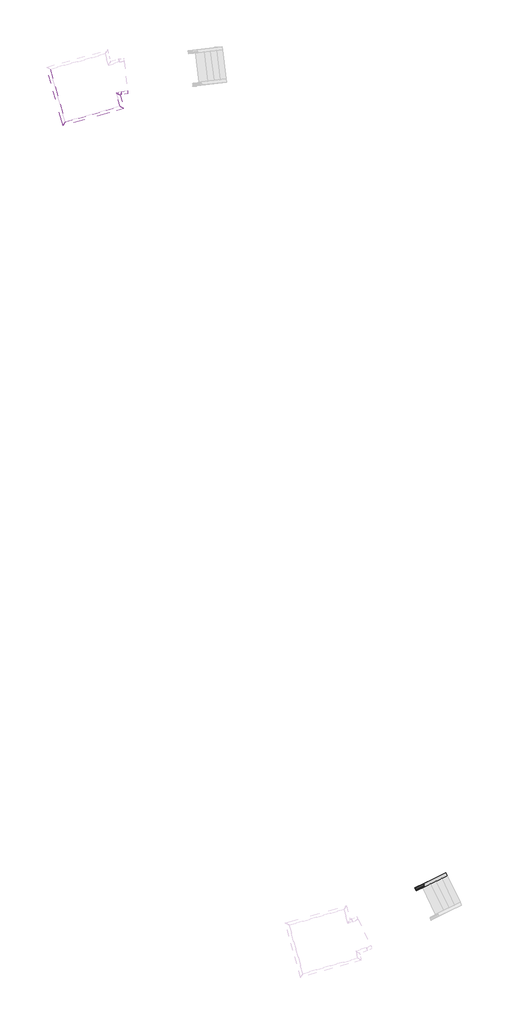
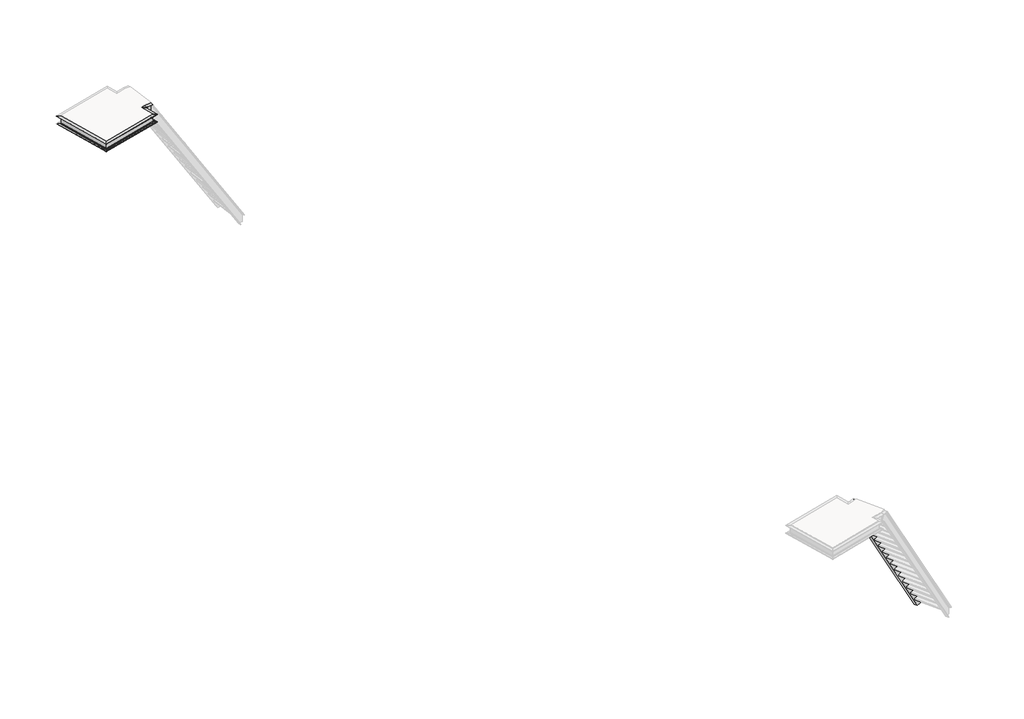
# One storey, part 3 of 4: 6 members.
"""IFC4 building model written with IfcOpenShell, lengths in millimetres."""

from ifc_helpers import new_model, si_unit, frame, origin, place, context, project, spatial, polyline, ellipse_curve, element, save
from ifc_brep_helpers import plane_surface, cylinder_surface, revolved_surface, advanced_brep

model = new_model("IFC4")

# Units and contexts
model_context = context("Model", 3, world=origin())
ifc_project = project(units=[si_unit("LENGTHUNIT", "METRE", prefix="MILLI")], contexts=[model_context])

# Site, building, storey
site = spatial("IfcSite", under=ifc_project)
building = spatial("IfcBuilding", under=site)
storey = spatial("IfcBuildingStorey", under=building, Elevation=11092.3025218)

# Members
placement = place(None, origin())
element("IfcMember", 1, ObjectType="UPN100", at=placement, inside=storey, context=model_context, shape_type="AdvancedBrep", body=[
    advanced_brep(
    [(-129490.3491692, 22437.0645883, 11129.5), (-129486.1846433, 22428.5260448, 11129.5), (-129578.2201137, 22383.6373466, 11129.5), (-129611.0979497, 22451.0469001, 11129.5), (-129606.8561595, 22453.1157594, 11129.5), (-129597.3616996, 22451.0913148, 11129.5), (-129580.8705702, 22424.0672054, 11129.5), (-129572.4798028, 22410.317206, 11129.5), (-129553.4908829, 22406.2683168, 11129.5), (-129486.1846433, 22428.5260448, 11342.7513594), (-129490.3491692, 22437.0645883, 11291.4449106), (-129495.5935401, 22447.817142, 11315.8510136), (-129502.6235613, 22462.2308216, 11318.2672814), (-129516.4402939, 22490.5593214, 11323.0161897), (-129519.0624793, 22495.9355983, 11335.2192412), (-129519.0624793, 22495.9355983, 11342.7513594), (-131643.2903544, 21376.4352925, 15173.1094103), (-131643.2903544, 21376.4352925, 14796.4312874), (-131652.6992512, 21395.7263897, 14823.3316332), (-131647.4548803, 21384.973836, 14847.7377362), (-131647.4548803, 21384.973836, 15121.8029615), (-131652.6992512, 21395.7263897, 15146.2090646), (-131659.7292724, 21410.1400693, 15148.6253323), (-131673.546005, 21438.4685692, 15153.3742406), (-131676.1681904, 21443.844846, 15165.5772921), (-131676.1681904, 21443.844846, 15173.1094103), (-131659.7292724, 21410.1400693, 14820.9153654), (-131673.546005, 21438.4685692, 14816.1664571), (-131676.1681904, 21443.844846, 14803.9634056), (-131676.1681904, 21443.844846, 14796.4312874)],
    [
        (0, 1),
        (1, 2),
        (2, 3),
        (3, 4),
        (4, 5, ellipse_curve(frame((-129604.0067471, 22447.2735981, 11129.5), z_axis=(0.0, 0.0, -1.0), x_axis=(0.8987940462991675, 0.43837114678907635, 0.0)), 7.6705345, 6.5)),
        (5, 6),
        (6, 7),
        (7, 8, ellipse_curve(frame((-129559.1897078, 22417.9526394, 11129.5), z_axis=(0.0, 0.0, 1.0), x_axis=(-0.8987940462991675, -0.43837114678907635, 0.0)), 15.341069, 13.0)),
        (8, 0),
        (9, 1),
        (0, 10),
        (10, 11, ellipse_curve(frame((-129496.0479941, 22448.7489109, 11291.4449106), z_axis=(-0.8987940462991676, -0.4383711467890764, 0.0), x_axis=(0.0, 0.0, 0.9999999999999999)), 24.484078, 13.0)),
        (11, 12),
        (12, 13),
        (13, 14, ellipse_curve(frame((-129516.2130669, 22490.093437, 11335.2192412), z_axis=(0.8987940462991676, 0.4383711467890764, 0.0), x_axis=(0.0, 0.0, -0.9999999999999999)), 12.242039, 6.5)),
        (14, 15),
        (15, 9),
        (9, 16),
        (16, 17),
        (17, 2),
        (7, 18),
        (18, 19, ellipse_curve(frame((-131653.1537052, 21396.6581586, 14847.7377362), z_axis=(-0.8987940462991676, -0.4383711467890764, 0.0), x_axis=(0.0, 0.0, 0.9999999999999999)), 24.484078, 13.0)),
        (19, 8),
        (19, 20),
        (20, 10),
        (20, 21, ellipse_curve(frame((-131653.1537052, 21396.6581586, 15121.8029615), z_axis=(-0.8987940462991676, -0.4383711467890764, 0.0), x_axis=(0.0, 0.0, 0.9999999999999999)), 24.484078, 13.0)),
        (21, 11),
        (21, 22),
        (22, 12),
        (22, 23),
        (23, 13),
        (23, 24, ellipse_curve(frame((-131673.318778, 21438.0026847, 15165.5772921), z_axis=(0.8987940462991676, 0.4383711467890764, 0.0), x_axis=(0.0, 0.0, -0.9999999999999999)), 12.242039, 6.5)),
        (24, 14),
        (24, 25),
        (25, 15),
        (25, 16),
        (6, 26),
        (26, 18),
        (5, 27),
        (27, 26),
        (4, 28),
        (28, 27, ellipse_curve(frame((-131673.318778, 21438.0026847, 14803.9634056), z_axis=(0.8987940462991676, 0.4383711467890764, 0.0), x_axis=(0.0, 0.0, -0.9999999999999999)), 12.242039, 6.5)),
        (3, 29),
        (29, 28),
        (17, 29),
    ],
    [
        plane_surface(frame((0.0, 0.0, 11129.5), z_axis=(0.0, 0.0, -1.0), x_axis=(1.0, 0.0, 0.0))),
        plane_surface(frame((-129486.1846433, 22428.5260448, 11342.7513594), z_axis=(0.8987940462991676, 0.4383711467890764, 0.0), x_axis=(0.4383711467890764, -0.8987940462991676, 0.0))),
        plane_surface(frame((-129486.1846433, 22428.5260448, 11342.7513594), z_axis=(0.4383711467890765, -0.8987940462991677, 0.0), x_axis=(-0.47722126213129185, -0.23275636149796178, 0.8473985739615374))),
        revolved_surface(polyline([(-131668.75380843133, 21403.51330512495, 14865.319369269755), (-129561.00134950191, 22431.532867974653, 11122.597555107748)]), (-129627.6271984, 22384.573445, 11251.0239902), (-0.47722126213129196, -0.23275636149796183, 0.8473985739615375)),
        plane_surface(frame((-129490.3491692, 22437.0645883, 11017.3796852), z_axis=(-0.4383711467890765, 0.8987940462991677, 0.0), x_axis=(-0.47722126213129185, -0.23275636149796178, 0.8473985739615374))),
        revolved_surface(polyline([(-131668.753808385, 21403.513305037573, 15139.38459457185), (-129491.84554066086, 22465.262409525087, 11273.863277529199)]), (-129516.7961484, 22438.6293598, 11328.2872682), (-0.47722126213129196, -0.23275636149796183, 0.8473985739615375)),
        plane_surface(frame((-129495.5935401, 22447.817142, 11315.8510136), z_axis=(-0.7941691966194107, -0.29861750897088934, -0.5292663511663112), x_axis=(-0.47722126213129185, -0.23275636149796178, 0.8473985739615374))),
        plane_surface(frame((-129502.6235613, 22462.2308216, 11318.2672814), z_axis=(-0.7941691966194107, -0.2986175089708892, -0.5292663511663112), x_axis=(-0.47722126213129185, -0.23275636149796178, 0.8473985739615374))),
        cylinder_surface(frame((-129519.25903, 22488.6078215, 11340.6279373), z_axis=(0.47722126213129196, 0.23275636149796183, -0.8473985739615375), x_axis=(-0.4383711467890764, 0.8987940462991676, 0.0)), 6.5),
        plane_surface(frame((-129519.0624793, 22495.9355983, 11335.2192412), z_axis=(-0.4383711467890765, 0.8987940462991677, 0.0), x_axis=(-0.47722126213129185, -0.23275636149796178, 0.8473985739615374))),
        plane_surface(frame((-129519.0624793, 22495.9355983, 11342.7513594), z_axis=(0.7616367931190346, 0.3714750846549471, 0.5309573022832939), x_axis=(-0.47722126213129185, -0.23275636149796178, 0.8473985739615374))),
        plane_surface(frame((-129502.6235613, 22462.2308216, 10990.5573144), z_axis=(0.7242531875332093, 0.4419665709882196, 0.529266351166311), x_axis=(-0.47722126213129196, -0.23275636149796183, 0.8473985739615372))),
        plane_surface(frame((-129516.4402939, 22490.5593214, 10985.8084062), z_axis=(0.7242531875332096, 0.4419665709882198, 0.5292663511663109), x_axis=(-0.47722126213129185, -0.23275636149796178, 0.8473985739615374))),
        cylinder_surface(frame((-129665.4944624, 22417.2840355, 11238.683321), z_axis=(0.47722126213129196, 0.23275636149796183, -0.8473985739615375), x_axis=(-0.4383711467890764, 0.8987940462991676, 0.0)), 6.5),
        plane_surface(frame((-129519.0624793, 22495.9355983, 10966.0732364), z_axis=(-0.4383711467890765, 0.8987940462991677, 0.0), x_axis=(-0.47722126213129185, -0.23275636149796178, 0.8473985739615374))),
        plane_surface(frame((-129486.1846433, 22428.5260448, 10966.0732364), z_axis=(-0.7616367931190346, -0.3714750846549471, -0.5309573022832939), x_axis=(-0.47722126213129185, -0.23275636149796178, 0.8473985739615374))),
        plane_surface(frame((-131643.2903544, 21376.4352925, 15173.1094103), z_axis=(-0.8987940462991676, -0.4383711467890764, 0.0), x_axis=(0.4383711467890764, -0.8987940462991676, 0.0))),
    ],
    [
        (0, [[1, 2, 3, 4, 5, 6, 7, 8, 9]]),
        (1, [[10, -1, 11, 12, 13, 14, 15, 16, 17]]),
        (2, [[-10, 18, 19, 20, -2]]),
        (3, [[21, 22, 23, -8]]),
        (4, [[-11, -9, -23, 24, 25]]),
        (5, [[-12, -25, 26, 27]]),
        (6, [[-13, -27, 28, 29]]),
        (7, [[-14, -29, 30, 31]]),
        (8, [[-15, -31, 32, 33]]),
        (9, [[-16, -33, 34, 35]]),
        (10, [[-17, -35, 36, -18]]),
        (11, [[37, 38, -21, -7]]),
        (12, [[39, 40, -37, -6]]),
        (13, [[41, 42, -39, -5]]),
        (14, [[43, 44, -41, -4]]),
        (15, [[-20, 45, -43, -3]]),
        (16, [[-36, -34, -32, -30, -28, -26, -24, -22, -38, -40, -42, -44, -45, -19]]),
    ],
),
])
element("IfcMember", 2, ObjectType="UPN200", at=placement, inside=storey, context=model_context, shape_type="AdvancedBrep", body=[
    advanced_brep(
    [(-137370.3828421, 41367.7815174, 14979.2554291), (-137370.3828421, 41367.7815174, 15179.2554291), (-137212.2452714, 41385.4121469, 15179.2554291), (-137212.2452714, 41385.4121469, 14979.2554291), (-137355.997393, 41293.92066, 14979.2554291), (-137203.2382385, 41310.9516542, 14979.2554291), (-137355.997393, 41293.92066, 14983.2546623), (-137203.2382385, 41310.9516542, 14983.2546623), (-137357.1447104, 41299.8114633, 14989.7339616), (-137203.9565981, 41316.8902817, 14989.7339616), (-137363.1901175, 41330.8510887, 14992.2554291), (-137207.7417549, 41348.1819006, 14992.2554291), (-137366.2660503, 41346.6442023, 14993.5383642), (-137209.6676613, 41364.1032296, 14993.5383642), (-137368.5606852, 41358.4258088, 15006.4969628), (-137211.1043805, 41375.9804845, 15006.4969628), (-137368.5606852, 41358.4258088, 15152.0138955), (-137211.1043805, 41375.9804845, 15152.0138955), (-137366.2660503, 41346.6442023, 15164.9724941), (-137209.6676613, 41364.1032296, 15164.9724941), (-137363.1901175, 41330.8510887, 15166.2554291), (-137207.7417549, 41348.1819006, 15166.2554291), (-137357.1447104, 41299.8114633, 15168.7768966), (-137203.9565981, 41316.8902817, 15168.7768966), (-137355.997393, 41293.92066, 15175.256196), (-137203.2382385, 41310.9516542, 15175.256196), (-137355.997393, 41293.92066, 15179.2554291), (-137203.2382385, 41310.9516542, 15179.2554291)],
    [
        (0, 1),
        (1, 2),
        (2, 3),
        (3, 0),
        (4, 0),
        (3, 5),
        (5, 4),
        (6, 4),
        (5, 7),
        (7, 6),
        (8, 6, ellipse_curve(frame((-137357.2441319, 41300.3219343, 14983.2546623), z_axis=(0.9815565427552808, 0.19117205176045143, 0.0), x_axis=(-0.19117205176044946, 0.9815565427552811, 0.0)), 6.5215543, 6.5)),
        (7, 9, ellipse_curve(frame((-137204.018848, 41317.4048969, 14983.2546623), z_axis=(-0.992763187371111, -0.1200885248504302, 0.0), x_axis=(-0.1200885248504156, 0.9927631873711128, 0.0)), 6.500284, 6.5)),
        (9, 8),
        (10, 8),
        (9, 11),
        (11, 10),
        (12, 10),
        (11, 13),
        (13, 12),
        (14, 12, ellipse_curve(frame((-137366.0672073, 41345.6232602, 15006.4969628), z_axis=(-0.9815565427552808, -0.19117205176045143, 0.0), x_axis=(0.19117205176044946, -0.9815565427552811, 0.0)), 13.0431086, 13.0)),
        (13, 15, ellipse_curve(frame((-137209.5431615, 41363.0739991, 15006.4969628), z_axis=(0.992763187371111, 0.1200885248504302, 0.0), x_axis=(0.1200885248504156, -0.9927631873711128, 0.0)), 13.0005681, 13.0)),
        (15, 14),
        (16, 14),
        (15, 17),
        (17, 16),
        (18, 16, ellipse_curve(frame((-137366.0672073, 41345.6232602, 15152.0138955), z_axis=(-0.9815565427552808, -0.19117205176045143, 0.0), x_axis=(0.19117205176044946, -0.9815565427552811, 0.0)), 13.0431086, 13.0)),
        (17, 19, ellipse_curve(frame((-137209.5431615, 41363.0739991, 15152.0138955), z_axis=(0.992763187371111, 0.1200885248504302, 0.0), x_axis=(0.1200885248504156, -0.9927631873711128, 0.0)), 13.0005681, 13.0)),
        (19, 18),
        (20, 18),
        (19, 21),
        (21, 20),
        (22, 20),
        (21, 23),
        (23, 22),
        (24, 22, ellipse_curve(frame((-137357.2441319, 41300.3219343, 15175.256196), z_axis=(0.9815565427552808, 0.19117205176045143, 0.0), x_axis=(-0.19117205176044946, 0.9815565427552811, 0.0)), 6.5215543, 6.5)),
        (23, 25, ellipse_curve(frame((-137204.018848, 41317.4048969, 15175.256196), z_axis=(-0.992763187371111, -0.1200885248504302, 0.0), x_axis=(-0.1200885248504156, 0.9927631873711128, 0.0)), 6.500284, 6.5)),
        (25, 24),
        (26, 24),
        (25, 27),
        (27, 26),
        (1, 26),
        (27, 2),
    ],
    [
        plane_surface(frame((-137370.3828421, 41367.7815174, 15179.2554291), z_axis=(-0.11080268556148799, 0.9938424245685843, 0.0), x_axis=(0.9938424245685843, 0.11080268556148799, 0.0))),
        plane_surface(frame((-137370.3828421, 41367.7815174, 14979.2554291), z_axis=(0.0, 0.0, -1.0000000000000002), x_axis=(0.9938424245685843, 0.11080268556148799, 0.0))),
        plane_surface(frame((-137362.0726406, 41293.2433356, 14979.2554291), z_axis=(0.11080268556148799, -0.9938424245685843, 0.0), x_axis=(0.9938424245685843, 0.11080268556148799, 0.0))),
        cylinder_surface(frame((-137362.7928581, 41299.7033114, 14983.2546623), z_axis=(-0.9938424245685824, -0.11080268556150397, 0.0), x_axis=(0.11080268556150397, -0.9938424245685824, 0.0)), 6.5),
        plane_surface(frame((-137362.7354242, 41299.1881592, 14989.7339616), z_axis=(0.008835984789642384, -0.0792541850613913, 0.9968152785361248), x_axis=(0.9938424245685843, 0.11080268556148799, 0.0))),
        plane_surface(frame((-137366.2277413, 41330.5124265, 14992.2554291), z_axis=(0.008835984789642376, -0.07925418506139123, 0.9968152785361248), x_axis=(0.9938424245685843, 0.11080268556148799, 0.0))),
        revolved_surface(polyline([(-137207.98194245805, 41350.16751370571, 15006.4969628), (-137365.67981537993, 41332.58590580175, 15006.4969628)]), (-137367.8897816, 41345.4200629, 15006.4969628), (0.9938424245685824, 0.11080268556150397, 0.0)),
        plane_surface(frame((-137369.3302165, 41358.3400144, 15006.4969628), z_axis=(0.11080268556148799, -0.9938424245685843, 0.0), x_axis=(0.9938424245685843, 0.11080268556148799, 0.0))),
        revolved_surface(polyline([(-137207.98194245805, 41350.16751370571, 15152.0138955), (-137365.67981537993, 41332.58590580175, 15152.0138955)]), (-137367.8897816, 41345.4200629, 15152.0138955), (0.9938424245685824, 0.11080268556150397, 0.0)),
        plane_surface(frame((-137368.0046494, 41346.4503673, 15164.9724941), z_axis=(0.008835984789641683, -0.07925418506138503, -0.9968152785361253), x_axis=(0.9938424245685843, 0.11080268556148799, 0.0))),
        plane_surface(frame((-137366.2277413, 41330.5124265, 15166.2554291), z_axis=(0.008835984789641713, -0.07925418506138529, -0.9968152785361254), x_axis=(0.9938424245685843, 0.11080268556148799, 0.0))),
        cylinder_surface(frame((-137362.7928581, 41299.7033114, 15175.256196), z_axis=(-0.9938424245685824, -0.11080268556150397, 0.0), x_axis=(0.11080268556150397, -0.9938424245685824, 0.0)), 6.5),
        plane_surface(frame((-137362.0726406, 41293.2433356, 15175.256196), z_axis=(0.11080268556148799, -0.9938424245685843, 0.0), x_axis=(0.9938424245685843, 0.11080268556148799, 0.0))),
        plane_surface(frame((-137362.0726406, 41293.2433356, 15179.2554291), z_axis=(0.0, 0.0, 1.0000000000000002), x_axis=(0.9938424245685843, 0.11080268556148799, 0.0))),
        plane_surface(frame((-137370.3828421, 41367.7815174, 15179.2554291), z_axis=(-0.9815565427552808, -0.19117205176045143, 0.0), x_axis=(0.19117205176045143, -0.9815565427552808, 0.0))),
        plane_surface(frame((-137212.235967, 41385.3352286, 15173.1094103), z_axis=(0.992763187371111, 0.1200885248504302, 0.0), x_axis=(0.1200885248504302, -0.992763187371111, 0.0))),
    ],
    [
        (0, [[1, 2, 3, 4]]),
        (1, [[5, -4, 6, 7]]),
        (2, [[8, -7, 9, 10]]),
        (3, [[11, -10, 12, 13]]),
        (4, [[14, -13, 15, 16]]),
        (5, [[17, -16, 18, 19]]),
        (6, [[20, -19, 21, 22]]),
        (7, [[23, -22, 24, 25]]),
        (8, [[26, -25, 27, 28]]),
        (9, [[29, -28, 30, 31]]),
        (10, [[32, -31, 33, 34]]),
        (11, [[35, -34, 36, 37]]),
        (12, [[38, -37, 39, 40]]),
        (13, [[41, -40, 42, -2]]),
        (14, [[-1, -5, -8, -11, -14, -17, -20, -23, -26, -29, -32, -35, -38, -41]]),
        (15, [[-42, -39, -36, -33, -30, -27, -24, -21, -18, -15, -12, -9, -6, -3]]),
    ],
),
])
element("IfcMember", 3, ObjectType="UPN200", at=placement, inside=storey, context=model_context, shape_type="AdvancedBrep", body=[
    advanced_brep(
    [(-137485.9167298, 41335.348189, 14979.2554291), (-137485.9167298, 41335.348189, 15179.2554291), (-137370.3828421, 41367.7815174, 15179.2554291), (-137370.3828421, 41367.7815174, 14979.2554291), (-137393.4372197, 41283.4103395, 14979.2554291), (-137355.997393, 41293.92066, 14979.2554291), (-137393.4372197, 41283.4103395, 14983.2546623), (-137355.997393, 41293.92066, 14983.2546623), (-137400.8129613, 41287.5526642, 14989.7339616), (-137357.1447104, 41299.8114633, 14989.7339616), (-137439.6769747, 41309.3792643, 14992.2554291), (-137363.1901175, 41330.8510887, 14992.2554291), (-137459.4511752, 41320.4847454, 14993.5383642), (-137366.2660503, 41346.6442023, 14993.5383642), (-137474.2026585, 41328.7693948, 15006.4969628), (-137368.5606852, 41358.4258088, 15006.4969628), (-137474.2026585, 41328.7693948, 15152.0138955), (-137368.5606852, 41358.4258088, 15152.0138955), (-137459.4511752, 41320.4847454, 15164.9724941), (-137366.2660503, 41346.6442023, 15164.9724941), (-137439.6769747, 41309.3792643, 15166.2554291), (-137363.1901175, 41330.8510887, 15166.2554291), (-137400.8129613, 41287.5526642, 15168.7768966), (-137357.1447104, 41299.8114633, 15168.7768966), (-137393.4372197, 41283.4103395, 15175.256196), (-137355.997393, 41293.92066, 15175.256196), (-137393.4372197, 41283.4103395, 15179.2554291), (-137355.997393, 41293.92066, 15179.2554291)],
    [
        (0, 1),
        (1, 2),
        (2, 3),
        (3, 0),
        (4, 0),
        (3, 5),
        (5, 4),
        (6, 4),
        (5, 7),
        (7, 6),
        (8, 6, ellipse_curve(frame((-137401.4521106, 41287.9116198, 14983.2546623), z_axis=(0.4896747417089634, 0.871905182535498, 0.0), x_axis=(-0.8719051825354979, 0.4896747417089636, 0.0)), 9.1923882, 6.5)),
        (7, 9, ellipse_curve(frame((-137357.2441319, 41300.3219343, 14983.2546623), z_axis=(-0.9815565427552808, -0.19117205176045143, 0.0), x_axis=(0.19117205176045396, -0.9815565427552804, 0.0)), 6.5215543, 6.5)),
        (9, 8),
        (10, 8),
        (9, 11),
        (11, 10),
        (12, 10),
        (11, 13),
        (13, 12),
        (14, 12, ellipse_curve(frame((-137458.1728767, 41319.7668342, 15006.4969628), z_axis=(-0.4896747417089634, -0.871905182535498, 0.0), x_axis=(0.8719051825354979, -0.4896747417089636, 0.0)), 18.3847763, 13.0)),
        (13, 15, ellipse_curve(frame((-137366.0672073, 41345.6232602, 15006.4969628), z_axis=(0.9815565427552808, 0.19117205176045143, 0.0), x_axis=(-0.19117205176045396, 0.9815565427552804, 0.0)), 13.0431086, 13.0)),
        (15, 14),
        (16, 14),
        (15, 17),
        (17, 16),
        (18, 16, ellipse_curve(frame((-137458.1728767, 41319.7668342, 15152.0138955), z_axis=(-0.4896747417089634, -0.871905182535498, 0.0), x_axis=(0.8719051825354979, -0.4896747417089636, 0.0)), 18.3847763, 13.0)),
        (17, 19, ellipse_curve(frame((-137366.0672073, 41345.6232602, 15152.0138955), z_axis=(0.9815565427552808, 0.19117205176045143, 0.0), x_axis=(-0.19117205176045396, 0.9815565427552804, 0.0)), 13.0431086, 13.0)),
        (19, 18),
        (20, 18),
        (19, 21),
        (21, 20),
        (22, 20),
        (21, 23),
        (23, 22),
        (24, 22, ellipse_curve(frame((-137401.4521106, 41287.9116198, 15175.256196), z_axis=(0.4896747417089634, 0.871905182535498, 0.0), x_axis=(-0.8719051825354979, 0.4896747417089636, 0.0)), 9.1923882, 6.5)),
        (23, 25, ellipse_curve(frame((-137357.2441319, 41300.3219343, 15175.256196), z_axis=(-0.9815565427552808, -0.19117205176045143, 0.0), x_axis=(0.19117205176045396, -0.9815565427552804, 0.0)), 6.5215543, 6.5)),
        (25, 24),
        (26, 24),
        (25, 27),
        (27, 26),
        (1, 26),
        (27, 2),
    ],
    [
        plane_surface(frame((-137485.9167298, 41335.348189, 15179.2554291), z_axis=(-0.27027773668426386, 0.962782397560753, 0.0), x_axis=(0.962782397560753, 0.27027773668426386, 0.0))),
        plane_surface(frame((-137485.9167298, 41335.348189, 14979.2554291), z_axis=(0.0, 0.0, -1.0000000000000002), x_axis=(0.962782397560753, 0.27027773668426386, 0.0))),
        plane_surface(frame((-137465.6458995, 41263.1395092, 14979.2554291), z_axis=(0.27027773668426386, -0.962782397560753, 0.0), x_axis=(0.962782397560753, 0.27027773668426386, 0.0))),
        cylinder_surface(frame((-137467.4027048, 41269.3975948, 14983.2546623), z_axis=(-0.9627823975607506, -0.2702777366842726, 0.0), x_axis=(0.2702777366842726, -0.9627823975607506, 0.0)), 6.5),
        plane_surface(frame((-137467.262608, 41268.8985424, 14989.7339616), z_axis=(0.021553358190003907, -0.07677729630353913, 0.996815278536125), x_axis=(0.962782397560753, 0.27027773668426386, 0.0))),
        plane_surface(frame((-137475.7813146, 41299.2438491, 14992.2554291), z_axis=(0.021553358190003882, -0.07677729630353905, 0.996815278536125), x_axis=(0.962782397560753, 0.27027773668426386, 0.0))),
        revolved_surface(polyline([(-137361.5334639975, 41333.393466514965, 15006.4969628), (-137467.17543733757, 41303.73705243266, 15006.4969628)]), (-137479.8354807, 41313.6855851, 15006.4969628), (0.9627823975607506, 0.2702777366842726, 0.0)),
        plane_surface(frame((-137483.3490913, 41326.2017563, 15006.4969628), z_axis=(0.27027773668426386, -0.962782397560753, 0.0), x_axis=(0.962782397560753, 0.27027773668426386, 0.0))),
        revolved_surface(polyline([(-137361.5334639975, 41333.393466514965, 15152.0138955), (-137467.17543733757, 41303.73705243266, 15152.0138955)]), (-137479.8354807, 41313.6855851, 15152.0138955), (0.9627823975607506, 0.2702777366842726, 0.0)),
        plane_surface(frame((-137480.1156743, 41314.68369, 15164.9724941), z_axis=(0.021553358190002196, -0.07677729630353304, -0.9968152785361254), x_axis=(0.962782397560753, 0.27027773668426386, 0.0))),
        plane_surface(frame((-137475.7813146, 41299.2438491, 15166.2554291), z_axis=(0.02155335819000227, -0.07677729630353329, -0.9968152785361254), x_axis=(0.962782397560753, 0.27027773668426386, 0.0))),
        cylinder_surface(frame((-137467.4027048, 41269.3975948, 15175.256196), z_axis=(-0.9627823975607506, -0.2702777366842726, 0.0), x_axis=(0.2702777366842726, -0.9627823975607506, 0.0)), 6.5),
        plane_surface(frame((-137465.6458995, 41263.1395092, 15175.256196), z_axis=(0.27027773668426386, -0.962782397560753, 0.0), x_axis=(0.962782397560753, 0.27027773668426386, 0.0))),
        plane_surface(frame((-137465.6458995, 41263.1395092, 15179.2554291), z_axis=(0.0, 0.0, 1.0000000000000002), x_axis=(0.962782397560753, 0.27027773668426386, 0.0))),
        plane_surface(frame((-137485.9167298, 41335.348189, 15179.2554291), z_axis=(-0.4896747417089634, -0.871905182535498, 0.0), x_axis=(0.871905182535498, -0.4896747417089634, 0.0))),
        plane_surface(frame((-137370.3828421, 41367.7815174, 15179.2554291), z_axis=(0.9815565427552808, 0.19117205176045143, 0.0), x_axis=(0.19117205176045143, -0.9815565427552808, 0.0))),
    ],
    [
        (0, [[1, 2, 3, 4]]),
        (1, [[5, -4, 6, 7]]),
        (2, [[8, -7, 9, 10]]),
        (3, [[11, -10, 12, 13]]),
        (4, [[14, -13, 15, 16]]),
        (5, [[17, -16, 18, 19]]),
        (6, [[20, -19, 21, 22]]),
        (7, [[23, -22, 24, 25]]),
        (8, [[26, -25, 27, 28]]),
        (9, [[29, -28, 30, 31]]),
        (10, [[32, -31, 33, 34]]),
        (11, [[35, -34, 36, 37]]),
        (12, [[38, -37, 39, 40]]),
        (13, [[41, -40, 42, -2]]),
        (14, [[-1, -5, -8, -11, -14, -17, -20, -23, -26, -29, -32, -35, -38, -41]]),
        (15, [[-42, -39, -36, -33, -30, -27, -24, -21, -18, -15, -12, -9, -6, -3]]),
    ],
),
])
element("IfcMember", 4, ObjectType="UPN200", at=placement, inside=storey, context=model_context, shape_type="AdvancedBrep", body=[
    advanced_brep(
    [(-137394.0222993, 41008.0021739, 14979.2554291), (-137394.0222993, 41008.0021739, 15179.2554291), (-137485.9167298, 41335.348189, 15179.2554291), (-137485.9167298, 41335.348189, 14979.2554291), (-137301.5427892, 40956.0643243, 14979.2554291), (-137393.4372197, 41283.4103395, 14979.2554291), (-137301.5427892, 40956.0643243, 14983.2546623), (-137393.4372197, 41283.4103395, 14983.2546623), (-137308.9185308, 40960.206649, 14989.7339616), (-137400.8129613, 41287.5526642, 14989.7339616), (-137347.7825443, 40982.0332491, 14992.2554291), (-137439.6769747, 41309.3792643, 14992.2554291), (-137367.5567448, 40993.1387302, 14993.5383642), (-137459.4511752, 41320.4847454, 14993.5383642), (-137382.308228, 41001.4233796, 15006.4969628), (-137474.2026585, 41328.7693948, 15006.4969628), (-137382.308228, 41001.4233796, 15152.0138955), (-137474.2026585, 41328.7693948, 15152.0138955), (-137367.5567448, 40993.1387302, 15164.9724941), (-137459.4511752, 41320.4847454, 15164.9724941), (-137347.7825443, 40982.0332491, 15166.2554291), (-137439.6769747, 41309.3792643, 15166.2554291), (-137308.9185308, 40960.206649, 15168.7768966), (-137400.8129613, 41287.5526642, 15168.7768966), (-137301.5427892, 40956.0643243, 15175.256196), (-137393.4372197, 41283.4103395, 15175.256196), (-137301.5427892, 40956.0643243, 15179.2554291), (-137393.4372197, 41283.4103395, 15179.2554291)],
    [
        (0, 1),
        (1, 2),
        (2, 3),
        (3, 0),
        (4, 0),
        (3, 5),
        (5, 4),
        (6, 4),
        (5, 7),
        (7, 6),
        (8, 6, ellipse_curve(frame((-137309.5576801, 40960.5656046, 14983.2546623), z_axis=(0.48967474170919617, 0.8719051825353673, 0.0), x_axis=(0.8719051825353673, -0.489674741709196, 0.0)), 9.1923882, 6.5)),
        (7, 9, ellipse_curve(frame((-137401.4521106, 41287.9116198, 14983.2546623), z_axis=(-0.4896747417089634, -0.871905182535498, 0.0), x_axis=(0.871905182535498, -0.48967474170896325, 0.0)), 9.1923882, 6.5)),
        (9, 8),
        (10, 8),
        (9, 11),
        (11, 10),
        (12, 10),
        (11, 13),
        (13, 12),
        (14, 12, ellipse_curve(frame((-137366.2784463, 40992.420819, 15006.4969628), z_axis=(-0.48967474170919617, -0.8719051825353673, 0.0), x_axis=(-0.8719051825353673, 0.489674741709196, 0.0)), 18.3847763, 13.0)),
        (13, 15, ellipse_curve(frame((-137458.1728767, 41319.7668342, 15006.4969628), z_axis=(0.4896747417089634, 0.871905182535498, 0.0), x_axis=(-0.871905182535498, 0.48967474170896325, 0.0)), 18.3847763, 13.0)),
        (15, 14),
        (16, 14),
        (15, 17),
        (17, 16),
        (18, 16, ellipse_curve(frame((-137366.2784463, 40992.420819, 15152.0138955), z_axis=(-0.48967474170919617, -0.8719051825353673, 0.0), x_axis=(-0.8719051825353673, 0.489674741709196, 0.0)), 18.3847763, 13.0)),
        (17, 19, ellipse_curve(frame((-137458.1728767, 41319.7668342, 15152.0138955), z_axis=(0.4896747417089634, 0.871905182535498, 0.0), x_axis=(-0.871905182535498, 0.48967474170896325, 0.0)), 18.3847763, 13.0)),
        (19, 18),
        (20, 18),
        (19, 21),
        (21, 20),
        (22, 20),
        (21, 23),
        (23, 22),
        (24, 22, ellipse_curve(frame((-137309.5576801, 40960.5656046, 15175.256196), z_axis=(0.48967474170919617, 0.8719051825353673, 0.0), x_axis=(0.8719051825353673, -0.489674741709196, 0.0)), 9.1923882, 6.5)),
        (23, 25, ellipse_curve(frame((-137401.4521106, 41287.9116198, 15175.256196), z_axis=(-0.4896747417089634, -0.871905182535498, 0.0), x_axis=(0.871905182535498, -0.48967474170896325, 0.0)), 9.1923882, 6.5)),
        (25, 24),
        (26, 24),
        (25, 27),
        (27, 26),
        (1, 26),
        (27, 2),
    ],
    [
        plane_surface(frame((-137394.0222993, 41008.0021739, 15179.2554291), z_axis=(-0.9627823975607588, -0.27027773668424315, 0.0), x_axis=(-0.27027773668424315, 0.9627823975607588, 0.0))),
        plane_surface(frame((-137394.0222993, 41008.0021739, 14979.2554291), z_axis=(0.0, 0.0, -1.0), x_axis=(-0.27027773668424315, 0.9627823975607588, 0.0))),
        plane_surface(frame((-137321.8136195, 41028.2730041, 14979.2554291), z_axis=(0.9627823975607588, 0.27027773668424315, 0.0), x_axis=(-0.27027773668424315, 0.9627823975607588, 0.0))),
        cylinder_surface(frame((-137328.0717051, 41026.5161988, 14983.2546623), z_axis=(0.27027773668425364, -0.9627823975607558, 0.0), x_axis=(0.9627823975607558, 0.27027773668425364, 0.0)), 6.5),
        plane_surface(frame((-137327.5726526, 41026.6562957, 14989.7339616), z_axis=(0.07677729630353959, 0.021553358190002255, 0.9968152785361248), x_axis=(-0.27027773668424315, 0.9627823975607588, 0.0))),
        plane_surface(frame((-137357.9179594, 41018.137589, 14992.2554291), z_axis=(0.07677729630353952, 0.021553358190002238, 0.9968152785361248), x_axis=(-0.27027773668424315, 0.9627823975607588, 0.0))),
        revolved_surface(polyline([(-137449.17031610565, 41335.796615970015, 15006.4969628), (-137350.2486644727, 40983.418258439626, 15006.4969628)]), (-137372.3596953, 41014.083423, 15006.4969628), (-0.27027773668425364, 0.9627823975607558, 0.0)),
        plane_surface(frame((-137384.8758665, 41010.5698124, 15006.4969628), z_axis=(0.9627823975607588, 0.27027773668424315, 0.0), x_axis=(-0.27027773668424315, 0.9627823975607588, 0.0))),
        revolved_surface(polyline([(-137449.17031610565, 41335.796615970015, 15152.0138955), (-137350.2486644727, 40983.418258439626, 15152.0138955)]), (-137372.3596953, 41014.083423, 15152.0138955), (-0.27027773668425364, 0.9627823975607558, 0.0)),
        plane_surface(frame((-137373.3578002, 41013.8032293, 15164.9724941), z_axis=(0.07677729630353353, 0.02155335819000055, -0.9968152785361254), x_axis=(-0.27027773668424315, 0.9627823975607588, 0.0))),
        plane_surface(frame((-137357.9179594, 41018.137589, 15166.2554291), z_axis=(0.07677729630353373, 0.021553358190000614, -0.9968152785361253), x_axis=(-0.27027773668424315, 0.9627823975607588, 0.0))),
        cylinder_surface(frame((-137328.0717051, 41026.5161988, 15175.256196), z_axis=(0.27027773668425364, -0.9627823975607558, 0.0), x_axis=(0.9627823975607558, 0.27027773668425364, 0.0)), 6.5),
        plane_surface(frame((-137321.8136195, 41028.2730041, 15175.256196), z_axis=(0.9627823975607588, 0.27027773668424315, 0.0), x_axis=(-0.27027773668424315, 0.9627823975607588, 0.0))),
        plane_surface(frame((-137321.8136195, 41028.2730041, 15179.2554291), z_axis=(0.0, 0.0, 1.0), x_axis=(-0.27027773668424315, 0.9627823975607588, 0.0))),
        plane_surface(frame((-137394.0222993, 41008.0021739, 15179.2554291), z_axis=(-0.48967474170919617, -0.8719051825353673, 0.0), x_axis=(0.8719051825353673, -0.48967474170919617, 0.0))),
        plane_surface(frame((-137485.9167298, 41335.348189, 15179.2554291), z_axis=(0.4896747417089634, 0.871905182535498, 0.0), x_axis=(0.871905182535498, -0.4896747417089634, 0.0))),
    ],
    [
        (0, [[1, 2, 3, 4]]),
        (1, [[5, -4, 6, 7]]),
        (2, [[8, -7, 9, 10]]),
        (3, [[11, -10, 12, 13]]),
        (4, [[14, -13, 15, 16]]),
        (5, [[17, -16, 18, 19]]),
        (6, [[20, -19, 21, 22]]),
        (7, [[23, -22, 24, 25]]),
        (8, [[26, -25, 27, 28]]),
        (9, [[29, -28, 30, 31]]),
        (10, [[32, -31, 33, 34]]),
        (11, [[35, -34, 36, 37]]),
        (12, [[38, -37, 39, 40]]),
        (13, [[41, -40, 42, -2]]),
        (14, [[-1, -5, -8, -11, -14, -17, -20, -23, -26, -29, -32, -35, -38, -41]]),
        (15, [[-42, -39, -36, -33, -30, -27, -24, -21, -18, -15, -12, -9, -6, -3]]),
    ],
),
])
element("IfcMember", 5, ObjectType="UPN200", at=placement, inside=storey, context=model_context, shape_type="AdvancedBrep", body=[
    advanced_brep(
    [(-138722.6620079, 40635.0188973, 14979.2554291), (-138722.6620079, 40635.0188973, 15179.2554291), (-137394.0222993, 41008.0021739, 15179.2554291), (-137394.0222993, 41008.0021739, 14979.2554291), (-138774.5998575, 40542.5393872, 14979.2554291), (-137301.5427892, 40956.0643243, 14979.2554291), (-138774.5998575, 40542.5393872, 14983.2546623), (-137301.5427892, 40956.0643243, 14983.2546623), (-138770.4575328, 40549.9151288, 14989.7339616), (-137308.9185308, 40960.206649, 14989.7339616), (-138748.6309327, 40588.7791422, 14992.2554291), (-137347.7825443, 40982.0332491, 14992.2554291), (-138737.5254516, 40608.5533427, 14993.5383642), (-137367.5567448, 40993.1387302, 14993.5383642), (-138729.2408022, 40623.304826, 15006.4969628), (-137382.308228, 41001.4233796, 15006.4969628), (-138729.2408022, 40623.304826, 15152.0138955), (-137382.308228, 41001.4233796, 15152.0138955), (-138737.5254516, 40608.5533427, 15164.9724941), (-137367.5567448, 40993.1387302, 15164.9724941), (-138748.6309327, 40588.7791422, 15166.2554291), (-137347.7825443, 40982.0332491, 15166.2554291), (-138770.4575328, 40549.9151288, 15168.7768966), (-137308.9185308, 40960.206649, 15168.7768966), (-138774.5998575, 40542.5393872, 15175.256196), (-137301.5427892, 40956.0643243, 15175.256196), (-138774.5998575, 40542.5393872, 15179.2554291), (-137301.5427892, 40956.0643243, 15179.2554291)],
    [
        (0, 1),
        (1, 2),
        (2, 3),
        (3, 0),
        (4, 0),
        (3, 5),
        (5, 4),
        (6, 4),
        (5, 7),
        (7, 6),
        (8, 6, ellipse_curve(frame((-138770.0985772, 40550.5542781, 14983.2546623), z_axis=(0.8719051825353673, -0.48967474170919617, 0.0), x_axis=(-0.489674741709196, -0.8719051825353672, 0.0)), 9.1923882, 6.5)),
        (7, 9, ellipse_curve(frame((-137309.5576801, 40960.5656046, 14983.2546623), z_axis=(-0.48967474170919617, -0.8719051825353673, 0.0), x_axis=(-0.8719051825353672, 0.4896747417091963, 0.0)), 9.1923882, 6.5)),
        (9, 8),
        (10, 8),
        (9, 11),
        (11, 10),
        (12, 10),
        (11, 13),
        (13, 12),
        (14, 12, ellipse_curve(frame((-138738.2433628, 40607.2750442, 15006.4969628), z_axis=(-0.8719051825353673, 0.48967474170919617, 0.0), x_axis=(0.489674741709196, 0.8719051825353672, 0.0)), 18.3847763, 13.0)),
        (13, 15, ellipse_curve(frame((-137366.2784463, 40992.420819, 15006.4969628), z_axis=(0.48967474170919617, 0.8719051825353673, 0.0), x_axis=(0.8719051825353672, -0.4896747417091963, 0.0)), 18.3847763, 13.0)),
        (15, 14),
        (16, 14),
        (15, 17),
        (17, 16),
        (18, 16, ellipse_curve(frame((-138738.2433628, 40607.2750442, 15152.0138955), z_axis=(-0.8719051825353673, 0.48967474170919617, 0.0), x_axis=(0.489674741709196, 0.8719051825353672, 0.0)), 18.3847763, 13.0)),
        (17, 19, ellipse_curve(frame((-137366.2784463, 40992.420819, 15152.0138955), z_axis=(0.48967474170919617, 0.8719051825353673, 0.0), x_axis=(0.8719051825353672, -0.4896747417091963, 0.0)), 18.3847763, 13.0)),
        (19, 18),
        (20, 18),
        (19, 21),
        (21, 20),
        (22, 20),
        (21, 23),
        (23, 22),
        (24, 22, ellipse_curve(frame((-138770.0985772, 40550.5542781, 15175.256196), z_axis=(0.8719051825353673, -0.48967474170919617, 0.0), x_axis=(-0.489674741709196, -0.8719051825353672, 0.0)), 9.1923882, 6.5)),
        (23, 25, ellipse_curve(frame((-137309.5576801, 40960.5656046, 15175.256196), z_axis=(-0.48967474170919617, -0.8719051825353673, 0.0), x_axis=(-0.8719051825353672, 0.4896747417091963, 0.0)), 9.1923882, 6.5)),
        (25, 24),
        (26, 24),
        (25, 27),
        (27, 26),
        (1, 26),
        (27, 2),
    ],
    [
        plane_surface(frame((-138722.6620079, 40635.0188973, 15179.2554291), z_axis=(-0.2702777366842554, 0.9627823975607553, 0.0), x_axis=(0.9627823975607553, 0.2702777366842554, 0.0))),
        plane_surface(frame((-138722.6620079, 40635.0188973, 14979.2554291), z_axis=(0.0, 0.0, -1.0), x_axis=(0.9627823975607553, 0.2702777366842554, 0.0))),
        plane_surface(frame((-138702.3911777, 40562.8102174, 14979.2554291), z_axis=(0.2702777366842496, -0.962782397560757, 0.0), x_axis=(0.962782397560757, 0.2702777366842496, 0.0))),
        cylinder_surface(frame((-138704.147983, 40569.068303, 14983.2546623), z_axis=(-0.962782397560756, -0.2702777366842532, 0.0), x_axis=(0.2702777366842532, -0.962782397560756, 0.0)), 6.5),
        plane_surface(frame((-138704.0078861, 40568.5692506, 14989.7339616), z_axis=(0.02155335819000323, -0.0767772963035393, 0.996815278536125), x_axis=(0.9627823975607553, 0.2702777366842554, 0.0))),
        plane_surface(frame((-138712.5265928, 40598.9145573, 14992.2554291), z_axis=(0.021553358190003206, -0.07677729630353922, 0.996815278536125), x_axis=(0.9627823975607553, 0.2702777366842554, 0.0))),
        revolved_surface(polyline([(-137350.24866455636, 40983.418258385675, 15006.4969628), (-138747.24592338642, 40591.24526246541, 15006.4969628)]), (-138716.5807588, 40613.3562933, 15006.4969628), (0.962782397560756, 0.2702777366842532, 0.0)),
        plane_surface(frame((-138720.0943694, 40625.8724645, 15006.4969628), z_axis=(0.2702777366842554, -0.9627823975607553, 0.0), x_axis=(0.9627823975607553, 0.2702777366842554, 0.0))),
        revolved_surface(polyline([(-137350.24866455636, 40983.418258385675, 15152.0138955), (-138747.24592338642, 40591.24526246541, 15152.0138955)]), (-138716.5807588, 40613.3562933, 15152.0138955), (0.962782397560756, 0.2702777366842532, 0.0)),
        plane_surface(frame((-138716.8609525, 40614.3543982, 15164.9724941), z_axis=(0.02155335819000153, -0.07677729630353325, -0.9968152785361253), x_axis=(0.9627823975607553, 0.2702777366842554, 0.0))),
        plane_surface(frame((-138712.5265928, 40598.9145573, 15166.2554291), z_axis=(0.02155335819000159, -0.07677729630353346, -0.9968152785361253), x_axis=(0.9627823975607553, 0.2702777366842554, 0.0))),
        cylinder_surface(frame((-138704.147983, 40569.068303, 15175.256196), z_axis=(-0.962782397560756, -0.2702777366842532, 0.0), x_axis=(0.2702777366842532, -0.962782397560756, 0.0)), 6.5),
        plane_surface(frame((-138702.3911777, 40562.8102174, 15175.256196), z_axis=(0.2702777366842496, -0.962782397560757, 0.0), x_axis=(0.962782397560757, 0.2702777366842496, 0.0))),
        plane_surface(frame((-138702.3911777, 40562.8102174, 15179.2554291), z_axis=(0.0, 0.0, 1.0000000000000002), x_axis=(0.962782397560757, 0.2702777366842496, 0.0))),
        plane_surface(frame((-138722.6620079, 40635.0188973, 15179.2554291), z_axis=(-0.8719051825353673, 0.48967474170919617, 0.0), x_axis=(-0.48967474170919617, -0.8719051825353673, 0.0))),
        plane_surface(frame((-137394.0222993, 41008.0021739, 15179.2554291), z_axis=(0.48967474170919617, 0.8719051825353673, 0.0), x_axis=(0.8719051825353673, -0.48967474170919617, 0.0))),
    ],
    [
        (0, [[1, 2, 3, 4]]),
        (1, [[5, -4, 6, 7]]),
        (2, [[8, -7, 9, 10]]),
        (3, [[11, -10, 12, 13]]),
        (4, [[14, -13, 15, 16]]),
        (5, [[17, -16, 18, 19]]),
        (6, [[20, -19, 21, 22]]),
        (7, [[23, -22, 24, 25]]),
        (8, [[26, -25, 27, 28]]),
        (9, [[29, -28, 30, 31]]),
        (10, [[32, -31, 33, 34]]),
        (11, [[35, -34, 36, 37]]),
        (12, [[38, -37, 39, 40]]),
        (13, [[41, -40, 42, -2]]),
        (14, [[-1, -5, -8, -11, -14, -17, -20, -23, -26, -29, -32, -35, -38, -41]]),
        (15, [[-42, -39, -36, -33, -30, -27, -24, -21, -18, -15, -12, -9, -6, -3]]),
    ],
),
])
element("IfcMember", 6, ObjectType="UPN200", at=placement, inside=storey, context=model_context, shape_type="AdvancedBrep", body=[
    advanced_brep(
    [(-139079.7238046, 41906.9431665, 14979.2554291), (-139079.7238046, 41906.9431665, 15179.2554291), (-138722.6620079, 40635.0188973, 15179.2554291), (-138722.6620079, 40635.0188973, 14979.2554291), (-139172.2033147, 41958.8810161, 14979.2554291), (-138774.5998575, 40542.5393872, 14979.2554291), (-139172.2033147, 41958.8810161, 14983.2546623), (-138774.5998575, 40542.5393872, 14983.2546623), (-139164.8275731, 41954.7386914, 14989.7339616), (-138770.4575328, 40549.9151288, 14989.7339616), (-139125.9635597, 41932.9120913, 14992.2554291), (-138748.6309327, 40588.7791422, 14992.2554291), (-139106.1893592, 41921.8066102, 14993.5383642), (-138737.5254516, 40608.5533427, 14993.5383642), (-139091.4378759, 41913.5219608, 15006.4969628), (-138729.2408022, 40623.304826, 15006.4969628), (-139091.4378759, 41913.5219608, 15152.0138955), (-138729.2408022, 40623.304826, 15152.0138955), (-139106.1893592, 41921.8066102, 15164.9724941), (-138737.5254516, 40608.5533427, 15164.9724941), (-139125.9635597, 41932.9120913, 15166.2554291), (-138748.6309327, 40588.7791422, 15166.2554291), (-139164.8275731, 41954.7386914, 15168.7768966), (-138770.4575328, 40549.9151288, 15168.7768966), (-139172.2033147, 41958.8810161, 15175.256196), (-138774.5998575, 40542.5393872, 15175.256196), (-139172.2033147, 41958.8810161, 15179.2554291), (-138774.5998575, 40542.5393872, 15179.2554291)],
    [
        (0, 1),
        (1, 2),
        (2, 3),
        (3, 0),
        (4, 0),
        (3, 5),
        (5, 4),
        (6, 4),
        (5, 7),
        (7, 6),
        (8, 6, ellipse_curve(frame((-139164.1884238, 41954.3797358, 14983.2546623), z_axis=(-0.4896747417089634, -0.871905182535498, 0.0), x_axis=(-0.871905182535498, 0.4896747417089633, 0.0)), 9.1923882, 6.5)),
        (7, 9, ellipse_curve(frame((-138770.0985772, 40550.5542781, 14983.2546623), z_axis=(-0.8719051825353673, 0.48967474170919617, 0.0), x_axis=(0.48967474170919634, 0.8719051825353671, 0.0)), 9.1923882, 6.5)),
        (9, 8),
        (10, 8),
        (9, 11),
        (11, 10),
        (12, 10),
        (11, 13),
        (13, 12),
        (14, 12, ellipse_curve(frame((-139107.4676577, 41922.5245214, 15006.4969628), z_axis=(0.4896747417089634, 0.871905182535498, 0.0), x_axis=(0.871905182535498, -0.4896747417089633, 0.0)), 18.3847763, 13.0)),
        (13, 15, ellipse_curve(frame((-138738.2433628, 40607.2750442, 15006.4969628), z_axis=(0.8719051825353673, -0.48967474170919617, 0.0), x_axis=(-0.48967474170919634, -0.8719051825353671, 0.0)), 18.3847763, 13.0)),
        (15, 14),
        (16, 14),
        (15, 17),
        (17, 16),
        (18, 16, ellipse_curve(frame((-139107.4676577, 41922.5245214, 15152.0138955), z_axis=(0.4896747417089634, 0.871905182535498, 0.0), x_axis=(0.871905182535498, -0.4896747417089633, 0.0)), 18.3847763, 13.0)),
        (17, 19, ellipse_curve(frame((-138738.2433628, 40607.2750442, 15152.0138955), z_axis=(0.8719051825353673, -0.48967474170919617, 0.0), x_axis=(-0.48967474170919634, -0.8719051825353671, 0.0)), 18.3847763, 13.0)),
        (19, 18),
        (20, 18),
        (19, 21),
        (21, 20),
        (22, 20),
        (21, 23),
        (23, 22),
        (24, 22, ellipse_curve(frame((-139164.1884238, 41954.3797358, 15175.256196), z_axis=(-0.4896747417089634, -0.871905182535498, 0.0), x_axis=(-0.871905182535498, 0.4896747417089633, 0.0)), 9.1923882, 6.5)),
        (23, 25, ellipse_curve(frame((-138770.0985772, 40550.5542781, 15175.256196), z_axis=(-0.8719051825353673, 0.48967474170919617, 0.0), x_axis=(0.48967474170919634, 0.8719051825353671, 0.0)), 9.1923882, 6.5)),
        (25, 24),
        (26, 24),
        (25, 27),
        (27, 26),
        (1, 26),
        (27, 2),
    ],
    [
        plane_surface(frame((-139079.7238046, 41906.9431665, 15179.2554291), z_axis=(0.9627823975607551, 0.2702777366842564, 0.0), x_axis=(0.2702777366842564, -0.9627823975607551, 0.0))),
        plane_surface(frame((-139079.7238046, 41906.9431665, 14979.2554291), z_axis=(0.0, 0.0, -1.0000000000000002), x_axis=(0.2702777366842564, -0.9627823975607551, 0.0))),
        plane_surface(frame((-139151.9324845, 41886.6723363, 14979.2554291), z_axis=(-0.9627823975607551, -0.2702777366842564, 0.0), x_axis=(0.2702777366842564, -0.9627823975607551, 0.0))),
        cylinder_surface(frame((-139145.6743989, 41888.4291415, 14983.2546623), z_axis=(-0.27027773668425126, 0.9627823975607566, 0.0), x_axis=(-0.9627823975607566, -0.27027773668425126, 0.0)), 6.5),
        plane_surface(frame((-139146.1734513, 41888.2890447, 14989.7339616), z_axis=(-0.0767772963035393, -0.021553358190003313, 0.996815278536125), x_axis=(0.2702777366842564, -0.9627823975607551, 0.0))),
        plane_surface(frame((-139115.8281446, 41896.8077514, 14992.2554291), z_axis=(-0.0767772963035392, -0.021553358190003286, 0.996815278536125), x_axis=(0.2702777366842564, -0.9627823975607551, 0.0))),
        revolved_surface(polyline([(-138747.24592339338, 40591.24526246224, 15006.4969628), (-139123.4974394346, 41931.5270819864, 15006.4969628)]), (-139101.3864086, 41900.8619174, 15006.4969628), (0.27027773668425126, -0.9627823975607566, 0.0)),
        plane_surface(frame((-139088.8702374, 41904.375528, 15006.4969628), z_axis=(-0.9627823975607551, -0.2702777366842564, 0.0), x_axis=(0.2702777366842564, -0.9627823975607551, 0.0))),
        revolved_surface(polyline([(-138747.24592339338, 40591.24526246224, 15152.0138955), (-139123.4974394346, 41931.5270819864, 15152.0138955)]), (-139101.3864086, 41900.8619174, 15152.0138955), (0.27027773668425126, -0.9627823975607566, 0.0)),
        plane_surface(frame((-139100.3883037, 41901.1421111, 15164.9724941), z_axis=(-0.07677729630353322, -0.021553358190001606, -0.9968152785361254), x_axis=(0.2702777366842564, -0.9627823975607551, 0.0))),
        plane_surface(frame((-139115.8281446, 41896.8077514, 15166.2554291), z_axis=(-0.07677729630353344, -0.02155335819000167, -0.9968152785361254), x_axis=(0.2702777366842564, -0.9627823975607551, 0.0))),
        cylinder_surface(frame((-139145.6743989, 41888.4291415, 15175.256196), z_axis=(-0.27027773668425126, 0.9627823975607566, 0.0), x_axis=(-0.9627823975607566, -0.27027773668425126, 0.0)), 6.5),
        plane_surface(frame((-139151.9324845, 41886.6723363, 15175.256196), z_axis=(-0.9627823975607551, -0.2702777366842564, 0.0), x_axis=(0.2702777366842564, -0.9627823975607551, 0.0))),
        plane_surface(frame((-139151.9324845, 41886.6723363, 15179.2554291), z_axis=(0.0, 0.0, 1.0000000000000002), x_axis=(0.2702777366842564, -0.9627823975607551, 0.0))),
        plane_surface(frame((-139079.7238046, 41906.9431665, 15179.2554291), z_axis=(0.4896747417089634, 0.871905182535498, 0.0), x_axis=(-0.871905182535498, 0.4896747417089634, 0.0))),
        plane_surface(frame((-138722.6620079, 40635.0188973, 15179.2554291), z_axis=(0.8719051825353673, -0.48967474170919617, 0.0), x_axis=(-0.48967474170919617, -0.8719051825353673, 0.0))),
    ],
    [
        (0, [[1, 2, 3, 4]]),
        (1, [[5, -4, 6, 7]]),
        (2, [[8, -7, 9, 10]]),
        (3, [[11, -10, 12, 13]]),
        (4, [[14, -13, 15, 16]]),
        (5, [[17, -16, 18, 19]]),
        (6, [[20, -19, 21, 22]]),
        (7, [[23, -22, 24, 25]]),
        (8, [[26, -25, 27, 28]]),
        (9, [[29, -28, 30, 31]]),
        (10, [[32, -31, 33, 34]]),
        (11, [[35, -34, 36, 37]]),
        (12, [[38, -37, 39, 40]]),
        (13, [[41, -40, 42, -2]]),
        (14, [[-1, -5, -8, -11, -14, -17, -20, -23, -26, -29, -32, -35, -38, -41]]),
        (15, [[-42, -39, -36, -33, -30, -27, -24, -21, -18, -15, -12, -9, -6, -3]]),
    ],
),
])

save(model, "model.ifc")
